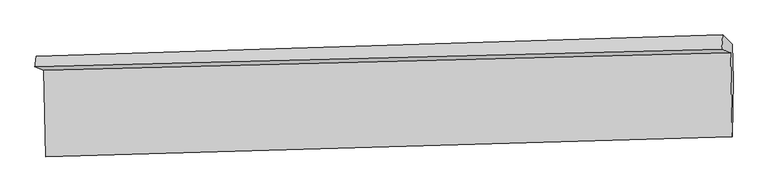
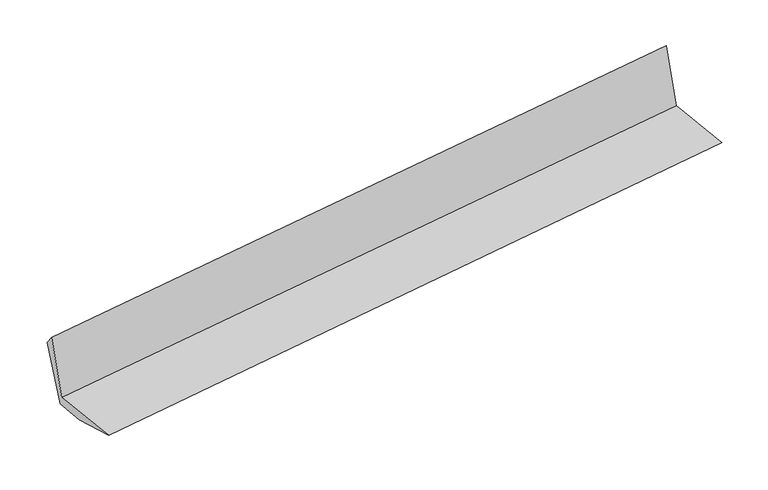
"""IFC4 building model written with IfcOpenShell, lengths in millimetres: proxy geometry."""

from ifc_helpers import new_model, si_unit, frame, origin, place, context, project, spatial, source, transform, mapped, element, save
from ifc_brep_helpers import plane_surface, spline_surface, advanced_brep


def generic_models_842288f3(model_context):
    return source(origin(), model_context, "Body", "AdvancedBrep", [
        advanced_brep(
        [(-6167.6415434, -1418.2715691, 2000.8645007), (-6082.0223355, -1451.8483008, 1331.0111797), (396.2540582, -1284.839093, 2168.24832), (310.6348502, -1251.2623612, 2838.101641), (-6065.6907825, -2266.7668531, 1402.7707128), (412.1585412, -2078.4475376, 2238.1313424), (-6063.5260649, -1735.8835717, 1254.609569), (419.2198287, -1540.9835529, 2049.5632939), (-6070.2478194, -1400.4787007, 1225.0747193), (412.4980742, -1205.5786819, 2020.0284442), (-6155.7425815, -1317.0926055, 1881.6500194), (321.8746125, -1117.1903828, 2715.9906894)],
        [
            (0, 1),
            (1, 2),
            (2, 3),
            (3, 0),
            (1, 4),
            (4, 5),
            (5, 2),
            (4, 6),
            (6, 7),
            (7, 5),
            (6, 8),
            (8, 9),
            (9, 7),
            (8, 10),
            (10, 11),
            (11, 9),
            (10, 0),
            (3, 11),
        ],
        [
            plane_surface(frame((-6124.8319394, -1435.0599349, 1665.9378402), z_axis=(0.018958545382378036, -0.9984424883573307, 0.05247066799465969), x_axis=(0.12662993183387714, -0.049659642409499646, -0.9907062028066183))),
            plane_surface(frame((-6073.856559, -1859.3075769, 1366.8909462), z_axis=(-0.12985403316481037, 0.08439253923029583, 0.9879351342032003), x_axis=(0.019959491309545836, -0.9959469152483563, 0.08770040315726922))),
            spline_surface(1, 1, [[(-6065.6907825, -2266.7668531, 1402.7707128), (412.1585412, -2078.4475376, 2238.1313424)], [(-6063.5260649, -1735.8835717, 1254.609569), (419.2198287, -1540.9835529, 2049.5632939)]], [2, 2], [2, 2], [0.0, 1.0], [0.0, 1.0]),
            plane_surface(frame((-6066.8869421, -1568.1811362, 1239.8421441), z_axis=(0.12378305247528272, -0.08458138241604339, -0.9886980052920573), x_axis=(-0.019959491309545788, 0.995946915248361, -0.08770040315721715))),
            plane_surface(frame((-6112.9952004, -1358.7856531, 1553.3623693), z_axis=(-0.014144598009926738, 0.9917004674325667, -0.12778933148415184), x_axis=(-0.12811116081282428, 0.12495139102406885, 0.9838570426420401))),
            spline_surface(1, 1, [[(-6155.7425815, -1317.0926055, 1881.6500194), (321.8746125, -1117.1903828, 2715.9906894)], [(-6167.6415434, -1418.2715691, 2000.8645007), (310.6348502, -1251.2623612, 2838.101641)]], [2, 2], [2, 2], [0.0, 1.0], [0.0, 1.0]),
            plane_surface(frame((378.7733275, -1413.0502682, 2338.3439551), z_axis=(0.9916500436757444, 0.03089831033464444, 0.12520177832746127), x_axis=(-0.12811116081282428, 0.12495139102406885, 0.9838570426420401))),
            plane_surface(frame((-6100.8118545, -1598.3902668, 1515.9967835), z_axis=(-0.9916500436757427, -0.030898310334653643, -0.12520177832747062), x_axis=(0.07587910667632072, 0.6452133772910876, -0.7602250054652453))),
        ],
        [
            (0, [[1, 2, 3, 4]]),
            (1, [[5, 6, 7, -2]]),
            (2, [[8, 9, 10, -6]]),
            (3, [[11, 12, 13, -9]]),
            (4, [[14, 15, 16, -12]]),
            (5, [[17, -4, 18, -15]]),
            (6, [[-16, -18, -3, -7, -10, -13]]),
            (7, [[-17, -14, -11, -8, -5, -1]]),
        ],
    ),
    ])


if __name__ == "__main__":
    model = new_model("IFC4")
    model_context = context("Model", 3, world=origin())
    ifc_project = project(units=[si_unit("LENGTHUNIT", "METRE", prefix="MILLI")], contexts=[model_context])
    site = spatial("IfcSite", under=ifc_project)
    building = spatial("IfcBuilding", under=site)
    placement = place(None, origin())
    generic_models_shape = generic_models_842288f3(model_context)
    element("IfcBuildingElementProxy", 1, Name="Generic Models", at=placement, inside=building, context=model_context, shape_type="MappedRepresentation", body=[
        mapped(generic_models_shape, transform((0.0, 0.0, 0.0), x_axis=(1.0, 0.0, 0.0), y_axis=(0.0, 1.0, 0.0), z_axis=(0.0, 0.0, 1.0))),
    ])
    save(model, "model.ifc")
